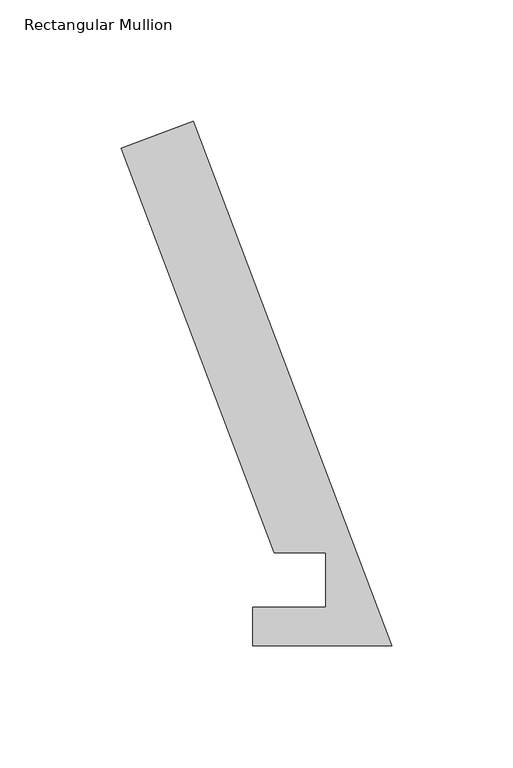
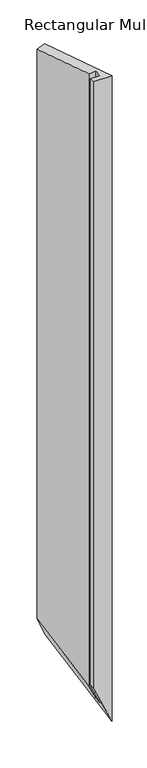
"""IFC4 building model written with IfcOpenShell, lengths in millimetres: member geometry, Rectangular Mullion."""

from ifc_helpers import new_model, si_unit, origin, place, context, project, spatial, faceted_brep, source, transform, mapped, element, save


def rectangular_mullion_fbafaa6d(model_context):
    return source(origin(), model_context, "Body", "Brep", [
        faceted_brep([(-81.7304777, 216.3314444, 0.0), (0.0, 0.0380112, 0.0), (0.0, 0.0380112, -2083.2645823), (-81.7304777, 216.3314444, -1904.3646531), (-111.4308257, 205.1086181, 0.0), (-111.4308257, 205.1086181, -1839.3535299), (-48.4318773, 38.386739, 0.0), (-48.4318773, 38.386739, -1977.2519947), (-27.1188377, 38.4070265, 0.0), (-27.1188377, 38.4070265, -2023.9041298), (-27.171167, 15.9130112, 0.0), (-27.171167, 15.9130112, -2023.7895861), (-57.2922169, 15.9130112, 0.0), (-57.2922169, 15.9130112, -1957.8575881), (-57.2922169, 0.0380112, 0.0), (-57.2922169, 0.0380112, -1957.8575881)], [[[0, 1, 2, 3]], [[4, 0, 3, 5]], [[6, 4, 5, 7]], [[8, 6, 7, 9]], [[10, 8, 9, 11]], [[12, 10, 11, 13]], [[14, 12, 13, 15]], [[1, 14, 15, 2]], [[1, 0, 4, 6, 8, 10, 12, 14]], [[2, 15, 13, 11, 9, 7, 5, 3]]]),
    ])


if __name__ == "__main__":
    model = new_model("IFC4")
    model_context = context("Model", 3, world=origin())
    ifc_project = project(units=[si_unit("LENGTHUNIT", "METRE", prefix="MILLI")], contexts=[model_context])
    site = spatial("IfcSite", under=ifc_project)
    building = spatial("IfcBuilding", under=site)
    placement = place(None, origin())
    rectangular_mullion_shape = rectangular_mullion_fbafaa6d(model_context)
    element("IfcMember", 1, ObjectType="Rectangular Mullion", at=placement, inside=building, context=model_context, shape_type="MappedRepresentation", body=[
        mapped(rectangular_mullion_shape, transform((0.0, 0.0, 0.0), x_axis=(1.0, 0.0, 0.0), y_axis=(0.0, 1.0, 0.0), z_axis=(0.0, 0.0, 1.0))),
    ])
    save(model, "model.ifc")
